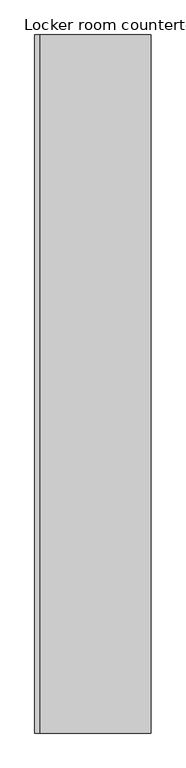
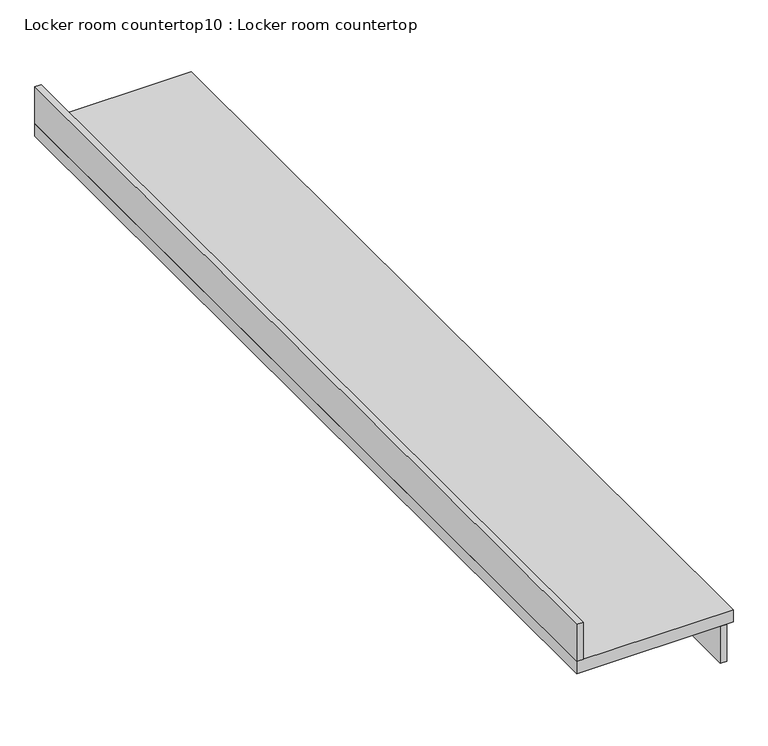
"""IFC4 building model written with IfcOpenShell, lengths in millimetres: furniture geometry, Locker room countertop10 : Locker room countertop."""

from ifc_helpers import new_model, si_unit, frame, origin, place, context, project, spatial, polyline, outline, extrude, source, transform, mapped, element, save


def locker_room_countertop10_locker_room_countertop_bc7476fa(model_context):
    return source(origin(), model_context, "Body", "SweptSolid", [
        extrude(outline(polyline([(438881.6254676, -324324.8899954), (438881.6254676, -327982.4899954), (438856.2254676, -327982.4899954), (438856.2254676, -324324.8899954), (438881.6254676, -324324.8899954)])), frame((0.0, 0.0, 660.4), z_axis=(0.0, 0.0, 1.0), x_axis=(1.0, 0.0, 0.0)), (0.0, 0.0, 1.0), 152.4),
        extrude(outline(polyline([(438322.8254676, -327982.4899955), (438297.4254676, -327982.4899955), (438297.4254676, -324324.8899954), (438322.8254676, -324324.8899954), (438322.8254676, -327982.4899955)])), frame((0.0, 0.0, 863.6), z_axis=(0.0, 0.0, 1.0), x_axis=(1.0, 0.0, 0.0)), (0.0, 0.0, 1.0), 152.4),
        extrude(outline(polyline([(438907.0254676, -327982.4899955), (438297.4254676, -327982.4899955), (438297.4254676, -324324.8899954), (438907.0254676, -324324.8899954), (438907.0254676, -327982.4899955)])), frame((0.0, 0.0, 812.8), z_axis=(0.0, 0.0, 1.0), x_axis=(1.0, 0.0, 0.0)), (0.0, 0.0, 1.0), 50.8),
    ])


if __name__ == "__main__":
    model = new_model("IFC4")
    model_context = context("Model", 3, world=origin())
    ifc_project = project(units=[si_unit("LENGTHUNIT", "METRE", prefix="MILLI")], contexts=[model_context])
    site = spatial("IfcSite", under=ifc_project)
    building = spatial("IfcBuilding", under=site)
    placement = place(None, origin())
    locker_room_countertop10_locker_room_countertop_shape = locker_room_countertop10_locker_room_countertop_bc7476fa(model_context)
    element("IfcFurniture", 1, ObjectType="Locker room countertop10 : Locker room countertop", at=placement, inside=building, context=model_context, shape_type="MappedRepresentation", body=[
        mapped(locker_room_countertop10_locker_room_countertop_shape, transform((0.0, 0.0, 0.0), x_axis=(1.0, 0.0, 0.0), y_axis=(0.0, 1.0, 0.0), z_axis=(0.0, 0.0, 1.0))),
    ])
    save(model, "model.ifc")
